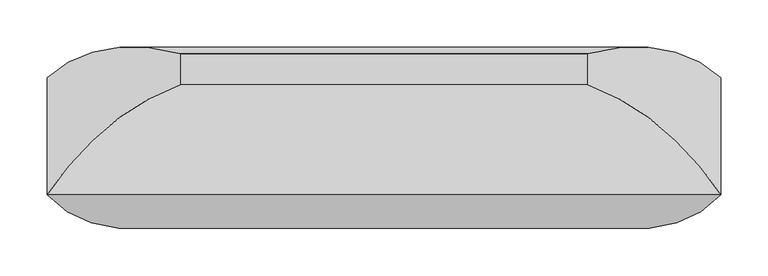
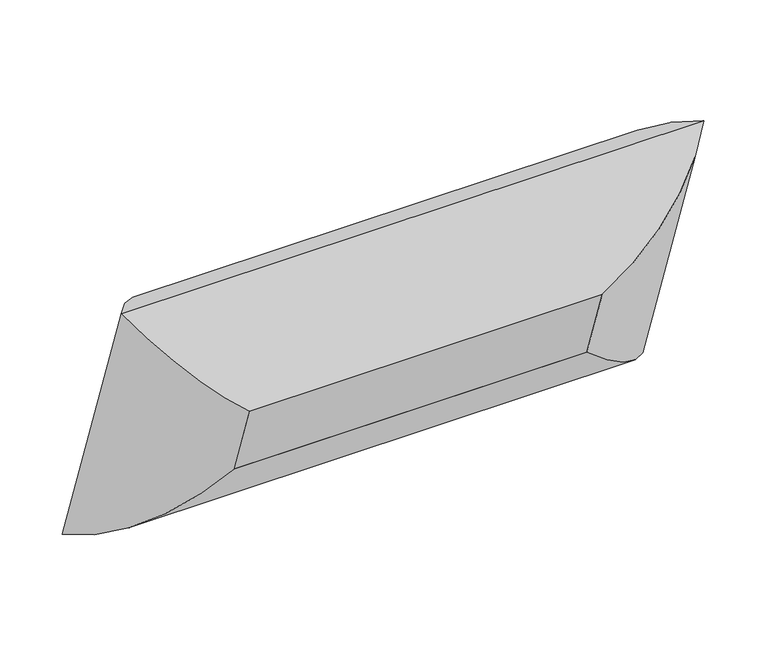
"""IFC4 building model written with IfcOpenShell, lengths in millimetres: furniture geometry."""

from ifc_helpers import new_model, si_unit, frame, origin, place, context, project, spatial, polyline, ellipse_curve, outline, extrude, source, transform, mapped, element, save
from ifc_brep_helpers import plane_surface, cylinder_surface, advanced_brep


def furniture_e70c08ef(model_context):
    return source(origin(), model_context, "Body", "SolidModel", [
        advanced_brep(
        [(-215.10625, -151.8239446, 633.5426139), (-355.2741804, -123.8293139, 791.4264403), (-355.2741804, 0.0, 431.8), (-215.10625, -119.2630596, 538.9789373), (-215.10625, -7.7269137, 683.1592006), (-215.10625, 24.8339713, 588.5955241), (355.2741804, 0.0, 431.8), (215.10625, -119.2630596, 538.9789373), (215.10625, 24.8339713, 588.5955241), (355.2741804, -123.8293139, 791.4264403), (215.10625, -151.8239446, 633.5426139), (215.10625, -7.7269137, 683.1592006)],
        [
            (0, 1, ellipse_curve(frame((-210.326504, 13.9591456, 685.5711514), z_axis=(-0.7071067811865478, 0.23021144975504015, -0.6685825965441236), x_axis=(-0.7071067811865474, -0.23021144975504035, 0.668582596544124)), 245.7274984, 173.7555804)),
            (1, 2),
            (2, 3, ellipse_curve(frame((-210.326504, 43.4077645, 600.0461521), z_axis=(-0.7071067811865471, -0.23021144975504024, 0.668582596544124), x_axis=(0.7071067811865476, -0.23021144975504035, 0.6685825965441238)), 245.7274984, 173.7555804)),
            (3, 0),
            (4, 0),
            (3, 5),
            (5, 4),
            (1, 4, ellipse_curve(frame((-205.9179464, -180.9364356, 613.8006395), z_axis=(-0.7071067811865478, 0.23021144975504015, -0.6685825965441236), x_axis=(-0.7071067811865474, -0.23021144975504035, 0.668582596544124)), 263.8641638, 186.5801395)),
            (5, 2, ellipse_curve(frame((-205.9179464, -154.3583886, 536.6123863), z_axis=(-0.7071067811865471, -0.23021144975504024, 0.668582596544124), x_axis=(0.7071067811865476, -0.23021144975504035, 0.6685825965441238)), 263.8641638, 186.5801395)),
            (2, 6),
            (6, 7, ellipse_curve(frame((210.326504, 43.4077645, 600.0461521), z_axis=(-0.7071067811865478, 0.2302114497550404, -0.6685825965441236), x_axis=(-0.7071067811865471, -0.23021144975504043, 0.6685825965441241)), 245.7274984, 173.7555804)),
            (7, 3),
            (7, 8),
            (8, 5),
            (8, 6, ellipse_curve(frame((205.9179464, -154.3583886, 536.6123863), z_axis=(-0.7071067811865478, 0.2302114497550404, -0.6685825965441236), x_axis=(-0.7071067811865471, -0.23021144975504043, 0.6685825965441241)), 263.8641638, 186.5801395)),
            (6, 9),
            (9, 10, ellipse_curve(frame((210.326504, 13.9591456, 685.5711514), z_axis=(0.7071067811865472, 0.23021144975504046, -0.6685825965441239), x_axis=(-0.7071067811865476, 0.23021144975504026, -0.6685825965441236)), 245.7274984, 173.7555804)),
            (10, 7),
            (10, 11),
            (11, 8),
            (11, 9, ellipse_curve(frame((205.9179464, -180.9364356, 613.8006395), z_axis=(0.7071067811865472, 0.23021144975504046, -0.6685825965441239), x_axis=(-0.7071067811865476, 0.23021144975504026, -0.6685825965441236)), 263.8641638, 186.5801395)),
            (9, 1),
            (0, 10),
            (4, 11),
        ],
        [
            cylinder_surface(frame((-210.326504, 12.4030125, 690.0904901), z_axis=(0.0, -0.32556815445715026, 0.945518575599319), x_axis=(0.0, -0.945518575599319, -0.32556815445715026)), 173.7555804),
            plane_surface(frame((-215.10625, -151.8239446, 633.5426139), z_axis=(1.0, 0.0, 0.0), x_axis=(0.0, 0.32556815445715065, -0.945518575599319))),
            cylinder_surface(frame((-205.9179464, -183.9278546, 622.4883512), z_axis=(0.0, -0.32556815445715026, 0.945518575599319), x_axis=(0.0, -0.945518575599319, -0.32556815445715026)), 186.5801395),
            cylinder_surface(frame((-215.10625, 43.4077645, 600.0461521), z_axis=(-1.0, 0.0, 0.0), x_axis=(0.0, -0.9455185755993192, -0.3255681544571501)), 173.7555804),
            plane_surface(frame((-215.10625, -119.2630596, 538.9789373), z_axis=(0.0, -0.32556815445714987, 0.9455185755993193), x_axis=(1.0, 0.0, 0.0))),
            cylinder_surface(frame((-215.10625, -154.3583886, 536.6123863), z_axis=(-1.0, 0.0, 0.0), x_axis=(0.0, -0.9455185755993192, -0.3255681544571501)), 186.5801395),
            cylinder_surface(frame((210.326504, 44.9638976, 595.5268135), z_axis=(0.0, 0.3255681544571504, -0.945518575599319), x_axis=(0.0, -0.945518575599319, -0.3255681544571504)), 173.7555804),
            plane_surface(frame((215.10625, -119.2630596, 538.9789373), z_axis=(-1.0, 0.0, 0.0), x_axis=(0.0, -0.32556815445715065, 0.945518575599319))),
            cylinder_surface(frame((205.9179464, -151.3669696, 527.9246746), z_axis=(0.0, 0.3255681544571504, -0.945518575599319), x_axis=(0.0, -0.945518575599319, -0.3255681544571504)), 186.5801395),
            cylinder_surface(frame((215.10625, 13.9591456, 685.5711514), z_axis=(1.0, 0.0, 0.0), x_axis=(0.0, -0.945518575599319, -0.3255681544571508)), 173.7555804),
            plane_surface(frame((215.10625, -151.8239446, 633.5426139), z_axis=(0.0, 0.325568154457151, -0.9455185755993188), x_axis=(-1.0, 0.0, 0.0))),
            cylinder_surface(frame((215.10625, -180.9364356, 613.8006395), z_axis=(1.0, 0.0, 0.0), x_axis=(0.0, -0.945518575599319, -0.3255681544571508)), 186.5801395),
        ],
        [
            (0, [[1, 2, 3, 4]]),
            (1, [[5, -4, 6, 7]]),
            (2, [[8, -7, 9, -2]]),
            (3, [[-3, 10, 11, 12]]),
            (4, [[-6, -12, 13, 14]]),
            (5, [[-9, -14, 15, -10]]),
            (6, [[-11, 16, 17, 18]]),
            (7, [[-13, -18, 19, 20]]),
            (8, [[-15, -20, 21, -16]]),
            (9, [[-17, 22, -1, 23]]),
            (10, [[-19, -23, -5, 24]]),
            (11, [[-21, -24, -8, -22]]),
        ],
    ),
        extrude(outline(polyline([(0.0, -430.2125), (0.0, 0.0), (152.4, 0.0), (152.4, -430.2125), (0.0, -430.2125)])), frame((-215.10625, -119.2630596, 538.9789373), z_axis=(0.0, -0.3255681544571503, 0.9455185755993191), x_axis=(0.0, 0.9455185755993191, 0.3255681544571503)), (0.0, 0.0, 1.0), 100.0125),
    ])


if __name__ == "__main__":
    model = new_model("IFC4")
    model_context = context("Model", 3, world=origin())
    ifc_project = project(units=[si_unit("LENGTHUNIT", "METRE", prefix="MILLI")], contexts=[model_context])
    site = spatial("IfcSite", under=ifc_project)
    building = spatial("IfcBuilding", under=site)
    placement = place(None, origin())
    furniture_shape = furniture_e70c08ef(model_context)
    element("IfcFurniture", 1, at=placement, inside=building, context=model_context, shape_type="MappedRepresentation", body=[
        mapped(furniture_shape, transform((0.0, 0.0, 0.0), x_axis=(1.0, 0.0, 0.0), y_axis=(0.0, 1.0, 0.0), z_axis=(0.0, 0.0, 1.0))),
    ])
    save(model, "model.ifc")
